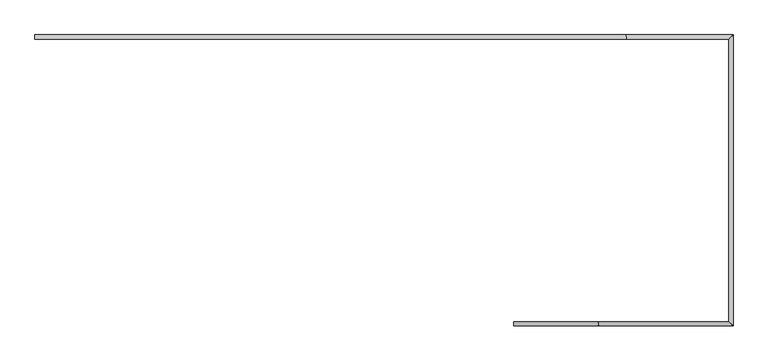
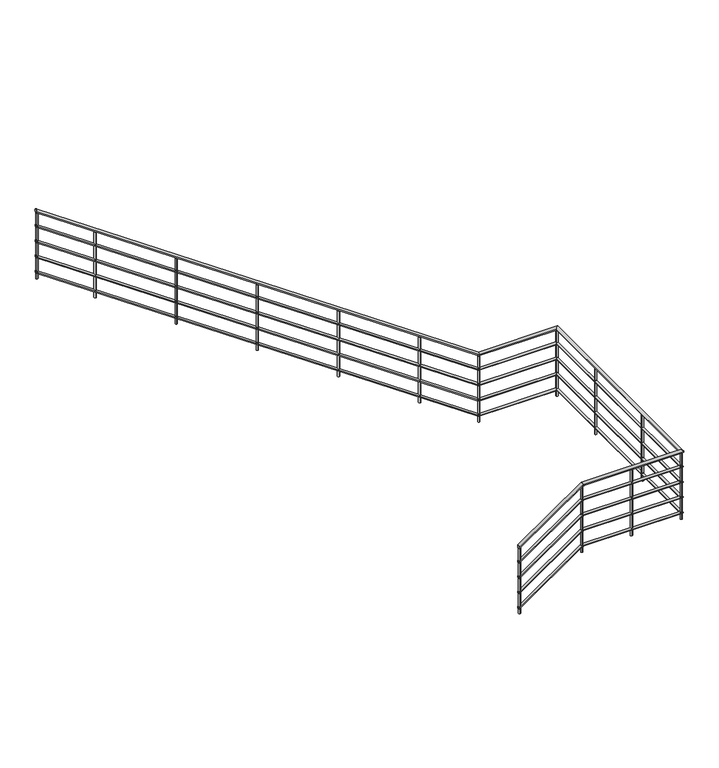
"""IFC4 building model written with IfcOpenShell, lengths in millimetres: railing geometry."""

from ifc_helpers import new_model, si_unit, point, frame, frame_2d, origin, place, context, project, spatial, circle_curve, ellipse_curve, trimmed, segment, composite_curve, outline, extrude, source, transform, mapped, element, save
from ifc_brep_helpers import plane_surface, cylinder_surface, advanced_brep


def railing_1d44057c(model_context):
    return source(origin(), model_context, "Body", "SolidModel", [
        advanced_brep(
        [(-1975.9784025, 7544.6868987, 1155.6747872), (-1975.9784025, 7504.6868987, 1155.6747872), (-1189.7308729, 7544.6868987, 1700.0), (-1189.7308729, 7504.6868987, 1700.0), (9.0215975, 7544.6868987, 1700.0), (49.0215975, 7504.6868987, 1700.0), (9.0215975, 10154.6868987, 1700.0), (49.0215975, 10194.6868987, 1700.0), (-942.2259321, 10154.6868987, 1700.0), (-942.2259321, 10194.6868987, 1700.0), (-6395.9784025, 10154.6868987, 5475.6747872), (-6395.9784025, 10194.6868987, 5475.6747872)],
        [
            (0, 1, ellipse_curve(frame((-1975.9784025, 7524.6868987, 1155.6747872), z_axis=(-1.0, 0.0, 0.0), x_axis=(0.0, 0.0, -1.0)), 24.3252128, 20.0)),
            (1, 0, ellipse_curve(frame((-1975.9784025, 7524.6868987, 1155.6747872), z_axis=(-1.0, 0.0, 0.0), x_axis=(0.0, 0.0, -1.0)), 24.3252128, 20.0)),
            (0, 2),
            (2, 3, ellipse_curve(frame((-1189.7308729, 7524.6868987, 1700.0), z_axis=(-0.9545135388363484, 0.0, -0.2981675773421896), x_axis=(0.2981675773421886, 0.0, -0.9545135388363488)), 20.9530815, 20.0)),
            (3, 1),
            (3, 2, ellipse_curve(frame((-1189.7308729, 7524.6868987, 1700.0), z_axis=(-0.9545135388363484, 0.0, -0.2981675773421896), x_axis=(0.2981675773421886, 0.0, -0.9545135388363488)), 20.9530815, 20.0)),
            (2, 4),
            (4, 5, ellipse_curve(frame((29.0215975, 7524.6868987, 1700.0), z_axis=(-0.7071067811865487, -0.7071067811865462, 0.0), x_axis=(-0.7071067811865464, 0.7071067811865487, 0.0)), 28.2842712, 20.0)),
            (5, 3),
            (5, 4, ellipse_curve(frame((29.0215975, 7524.6868987, 1700.0), z_axis=(-0.7071067811865487, -0.7071067811865462, 0.0), x_axis=(-0.7071067811865464, 0.7071067811865487, 0.0)), 28.2842712, 20.0)),
            (4, 6),
            (6, 7, ellipse_curve(frame((29.0215975, 10174.6868987, 1700.0), z_axis=(0.7071067811865469, -0.707106781186548, 0.0), x_axis=(-0.7071067811865479, -0.7071067811865471, 0.0)), 28.2842712, 20.0)),
            (7, 5),
            (7, 6, ellipse_curve(frame((29.0215975, 10174.6868987, 1700.0), z_axis=(0.7071067811865469, -0.707106781186548, 0.0), x_axis=(-0.7071067811865479, -0.7071067811865471, 0.0)), 28.2842712, 20.0)),
            (6, 8),
            (8, 9, ellipse_curve(frame((-942.2259321, 10174.6868987, 1700.0), z_axis=(0.9545135388363485, 0.0, -0.2981675773421897), x_axis=(0.29816757734218974, 0.0, 0.9545135388363484)), 20.9530815, 20.0)),
            (9, 7),
            (9, 8, ellipse_curve(frame((-942.2259321, 10174.6868987, 1700.0), z_axis=(0.9545135388363485, 0.0, -0.2981675773421897), x_axis=(0.29816757734218974, 0.0, 0.9545135388363484)), 20.9530815, 20.0)),
            (10, 11, ellipse_curve(frame((-6395.9784025, 10174.6868987, 5475.6747872), z_axis=(-1.0, 0.0, 0.0), x_axis=(0.0, 0.0, -1.0)), 24.3252128, 20.0)),
            (11, 10, ellipse_curve(frame((-6395.9784025, 10174.6868987, 5475.6747872), z_axis=(-1.0, 0.0, 0.0), x_axis=(0.0, 0.0, -1.0)), 24.3252128, 20.0)),
            (8, 10),
            (11, 9),
        ],
        [
            plane_surface(frame((-1975.9784025, 7524.6868987, 1180.0), z_axis=(-1.0, 0.0, 0.0), x_axis=(0.0, 1.0, 0.0))),
            cylinder_surface(frame((-1964.5942029, 7524.6868987, 1163.5561562), z_axis=(-0.8221921916437788, 0.0, -0.5692099788303082), x_axis=(0.0, -1.0, 0.0)), 20.0),
            cylinder_surface(frame((-1195.9784025, 7524.6868987, 1700.0), z_axis=(-1.0, 0.0, 0.0), x_axis=(0.0, -1.0, 0.0)), 20.0),
            cylinder_surface(frame((29.0215975, 7524.6868987, 1700.0), z_axis=(0.0, -1.0, 0.0), x_axis=(1.0, 0.0, 0.0)), 20.0),
            cylinder_surface(frame((29.0215975, 10174.6868987, 1700.0), z_axis=(1.0, 0.0, 0.0), x_axis=(0.0, 1.0, 0.0)), 20.0),
            plane_surface(frame((-6395.9784025, 10174.6868987, 5500.0), z_axis=(-1.0, 0.0, 0.0), x_axis=(0.0, -1.0, 0.0))),
            cylinder_surface(frame((-947.3626021, 10174.6868987, 1703.5561562), z_axis=(0.8221921916437787, 0.0, -0.5692099788303082), x_axis=(0.0, 1.0, 0.0)), 20.0),
        ],
        [
            (0, [[1, 2]]),
            (1, [[-1, 3, 4, 5]]),
            (1, [[-2, -5, 6, -3]]),
            (2, [[-4, 7, 8, 9]]),
            (2, [[-6, -9, 10, -7]]),
            (3, [[-8, 11, 12, 13]]),
            (3, [[-10, -13, 14, -11]]),
            (4, [[-12, 15, 16, 17]]),
            (4, [[-14, -17, 18, -15]]),
            (5, [[19, 20]]),
            (6, [[-16, 21, -20, 22]]),
            (6, [[-18, -22, -19, -21]]),
        ],
    ),
        advanced_brep(
        [(-1975.9784025, 7539.6868987, 961.7560904), (-1975.9784025, 7509.6868987, 961.7560904), (-1191.2927553, 7539.6868987, 1505.0), (-1191.2927553, 7509.6868987, 1505.0), (14.0215975, 7539.6868987, 1505.0), (44.0215975, 7509.6868987, 1505.0), (14.0215975, 10159.6868987, 1505.0), (44.0215975, 10189.6868987, 1505.0), (-940.6640497, 10159.6868987, 1505.0), (-940.6640497, 10189.6868987, 1505.0), (-6395.9784025, 10159.6868987, 5281.7560904), (-6395.9784025, 10189.6868987, 5281.7560904)],
        [
            (0, 1, ellipse_curve(frame((-1975.9784025, 7524.6868987, 961.7560904), z_axis=(-1.0, 0.0, 0.0), x_axis=(0.0, 0.0, -1.0)), 18.2439096, 15.0)),
            (1, 0, ellipse_curve(frame((-1975.9784025, 7524.6868987, 961.7560904), z_axis=(-1.0, 0.0, 0.0), x_axis=(0.0, 0.0, -1.0)), 18.2439096, 15.0)),
            (0, 2),
            (2, 3, ellipse_curve(frame((-1191.2927553, 7524.6868987, 1505.0), z_axis=(-0.9545135388363484, 0.0, -0.2981675773421896), x_axis=(0.2981675773421886, 0.0, -0.9545135388363488)), 15.7148111, 15.0)),
            (3, 1),
            (3, 2, ellipse_curve(frame((-1191.2927553, 7524.6868987, 1505.0), z_axis=(-0.9545135388363484, 0.0, -0.2981675773421896), x_axis=(0.2981675773421886, 0.0, -0.9545135388363488)), 15.7148111, 15.0)),
            (2, 4),
            (4, 5, ellipse_curve(frame((29.0215975, 7524.6868987, 1505.0), z_axis=(-0.7071067811865487, -0.7071067811865462, 0.0), x_axis=(-0.7071067811865464, 0.7071067811865487, 0.0)), 21.2132034, 15.0)),
            (5, 3),
            (5, 4, ellipse_curve(frame((29.0215975, 7524.6868987, 1505.0), z_axis=(-0.7071067811865487, -0.7071067811865462, 0.0), x_axis=(-0.7071067811865464, 0.7071067811865487, 0.0)), 21.2132034, 15.0)),
            (4, 6),
            (6, 7, ellipse_curve(frame((29.0215975, 10174.6868987, 1505.0), z_axis=(0.7071067811865469, -0.707106781186548, 0.0), x_axis=(-0.7071067811865479, -0.7071067811865471, 0.0)), 21.2132034, 15.0)),
            (7, 5),
            (7, 6, ellipse_curve(frame((29.0215975, 10174.6868987, 1505.0), z_axis=(0.7071067811865469, -0.707106781186548, 0.0), x_axis=(-0.7071067811865479, -0.7071067811865471, 0.0)), 21.2132034, 15.0)),
            (6, 8),
            (8, 9, ellipse_curve(frame((-940.6640497, 10174.6868987, 1505.0), z_axis=(0.9545135388363485, 0.0, -0.2981675773421897), x_axis=(0.29816757734218974, 0.0, 0.9545135388363484)), 15.7148111, 15.0)),
            (9, 7),
            (9, 8, ellipse_curve(frame((-940.6640497, 10174.6868987, 1505.0), z_axis=(0.9545135388363485, 0.0, -0.2981675773421897), x_axis=(0.29816757734218974, 0.0, 0.9545135388363484)), 15.7148111, 15.0)),
            (10, 11, ellipse_curve(frame((-6395.9784025, 10174.6868987, 5281.7560904), z_axis=(-1.0, 0.0, 0.0), x_axis=(0.0, 0.0, -1.0)), 18.2439096, 15.0)),
            (11, 10, ellipse_curve(frame((-6395.9784025, 10174.6868987, 5281.7560904), z_axis=(-1.0, 0.0, 0.0), x_axis=(0.0, 0.0, -1.0)), 18.2439096, 15.0)),
            (8, 10),
            (11, 9),
        ],
        [
            plane_surface(frame((-1975.9784025, 7524.6868987, 980.0), z_axis=(-1.0, 0.0, 0.0), x_axis=(0.0, 1.0, 0.0))),
            cylinder_surface(frame((-1967.4402528, 7524.6868987, 967.6671171), z_axis=(-0.8221921916437788, 0.0, -0.5692099788303082), x_axis=(0.0, -1.0, 0.0)), 15.0),
            cylinder_surface(frame((-1195.9784025, 7524.6868987, 1505.0), z_axis=(-1.0, 0.0, 0.0), x_axis=(0.0, -1.0, 0.0)), 15.0),
            cylinder_surface(frame((29.0215975, 7524.6868987, 1505.0), z_axis=(0.0, -1.0, 0.0), x_axis=(1.0, 0.0, 0.0)), 15.0),
            cylinder_surface(frame((29.0215975, 10174.6868987, 1505.0), z_axis=(1.0, 0.0, 0.0), x_axis=(0.0, 1.0, 0.0)), 15.0),
            plane_surface(frame((-6395.9784025, 10174.6868987, 5300.0), z_axis=(-1.0, 0.0, 0.0), x_axis=(0.0, -1.0, 0.0))),
            cylinder_surface(frame((-944.5165522, 10174.6868987, 1507.6671171), z_axis=(0.8221921916437787, 0.0, -0.5692099788303082), x_axis=(0.0, 1.0, 0.0)), 15.0),
        ],
        [
            (0, [[1, 2]]),
            (1, [[-1, 3, 4, 5]]),
            (1, [[-2, -5, 6, -3]]),
            (2, [[-4, 7, 8, 9]]),
            (2, [[-6, -9, 10, -7]]),
            (3, [[-8, 11, 12, 13]]),
            (3, [[-10, -13, 14, -11]]),
            (4, [[-12, 15, 16, 17]]),
            (4, [[-14, -17, 18, -15]]),
            (5, [[19, 20]]),
            (6, [[-16, 21, -20, 22]]),
            (6, [[-18, -22, -19, -21]]),
        ],
    ),
        advanced_brep(
        [(-1975.9784025, 7539.6868987, 761.7560904), (-1975.9784025, 7509.6868987, 761.7560904), (-1191.2927553, 7539.6868987, 1305.0), (-1191.2927553, 7509.6868987, 1305.0), (14.0215975, 7539.6868987, 1305.0), (44.0215975, 7509.6868987, 1305.0), (14.0215975, 10159.6868987, 1305.0), (44.0215975, 10189.6868987, 1305.0), (-940.6640497, 10159.6868987, 1305.0), (-940.6640497, 10189.6868987, 1305.0), (-6395.9784025, 10159.6868987, 5081.7560904), (-6395.9784025, 10189.6868987, 5081.7560904)],
        [
            (0, 1, ellipse_curve(frame((-1975.9784025, 7524.6868987, 761.7560904), z_axis=(-1.0, 0.0, 0.0), x_axis=(0.0, 0.0, -1.0)), 18.2439096, 15.0)),
            (1, 0, ellipse_curve(frame((-1975.9784025, 7524.6868987, 761.7560904), z_axis=(-1.0, 0.0, 0.0), x_axis=(0.0, 0.0, -1.0)), 18.2439096, 15.0)),
            (0, 2),
            (2, 3, ellipse_curve(frame((-1191.2927553, 7524.6868987, 1305.0), z_axis=(-0.9545135388363484, 0.0, -0.2981675773421896), x_axis=(0.2981675773421886, 0.0, -0.9545135388363488)), 15.7148111, 15.0)),
            (3, 1),
            (3, 2, ellipse_curve(frame((-1191.2927553, 7524.6868987, 1305.0), z_axis=(-0.9545135388363484, 0.0, -0.2981675773421896), x_axis=(0.2981675773421886, 0.0, -0.9545135388363488)), 15.7148111, 15.0)),
            (2, 4),
            (4, 5, ellipse_curve(frame((29.0215975, 7524.6868987, 1305.0), z_axis=(-0.7071067811865487, -0.7071067811865462, 0.0), x_axis=(-0.7071067811865464, 0.7071067811865487, 0.0)), 21.2132034, 15.0)),
            (5, 3),
            (5, 4, ellipse_curve(frame((29.0215975, 7524.6868987, 1305.0), z_axis=(-0.7071067811865487, -0.7071067811865462, 0.0), x_axis=(-0.7071067811865464, 0.7071067811865487, 0.0)), 21.2132034, 15.0)),
            (4, 6),
            (6, 7, ellipse_curve(frame((29.0215975, 10174.6868987, 1305.0), z_axis=(0.7071067811865469, -0.707106781186548, 0.0), x_axis=(-0.7071067811865479, -0.7071067811865471, 0.0)), 21.2132034, 15.0)),
            (7, 5),
            (7, 6, ellipse_curve(frame((29.0215975, 10174.6868987, 1305.0), z_axis=(0.7071067811865469, -0.707106781186548, 0.0), x_axis=(-0.7071067811865479, -0.7071067811865471, 0.0)), 21.2132034, 15.0)),
            (6, 8),
            (8, 9, ellipse_curve(frame((-940.6640497, 10174.6868987, 1305.0), z_axis=(0.9545135388363485, 0.0, -0.2981675773421897), x_axis=(0.29816757734218974, 0.0, 0.9545135388363484)), 15.7148111, 15.0)),
            (9, 7),
            (9, 8, ellipse_curve(frame((-940.6640497, 10174.6868987, 1305.0), z_axis=(0.9545135388363485, 0.0, -0.2981675773421897), x_axis=(0.29816757734218974, 0.0, 0.9545135388363484)), 15.7148111, 15.0)),
            (10, 11, ellipse_curve(frame((-6395.9784025, 10174.6868987, 5081.7560904), z_axis=(-1.0, 0.0, 0.0), x_axis=(0.0, 0.0, -1.0)), 18.2439096, 15.0)),
            (11, 10, ellipse_curve(frame((-6395.9784025, 10174.6868987, 5081.7560904), z_axis=(-1.0, 0.0, 0.0), x_axis=(0.0, 0.0, -1.0)), 18.2439096, 15.0)),
            (8, 10),
            (11, 9),
        ],
        [
            plane_surface(frame((-1975.9784025, 7524.6868987, 780.0), z_axis=(-1.0, 0.0, 0.0), x_axis=(0.0, 1.0, 0.0))),
            cylinder_surface(frame((-1967.4402528, 7524.6868987, 767.6671171), z_axis=(-0.8221921916437788, 0.0, -0.5692099788303082), x_axis=(0.0, -1.0, 0.0)), 15.0),
            cylinder_surface(frame((-1195.9784025, 7524.6868987, 1305.0), z_axis=(-1.0, 0.0, 0.0), x_axis=(0.0, -1.0, 0.0)), 15.0),
            cylinder_surface(frame((29.0215975, 7524.6868987, 1305.0), z_axis=(0.0, -1.0, 0.0), x_axis=(1.0, 0.0, 0.0)), 15.0),
            cylinder_surface(frame((29.0215975, 10174.6868987, 1305.0), z_axis=(1.0, 0.0, 0.0), x_axis=(0.0, 1.0, 0.0)), 15.0),
            plane_surface(frame((-6395.9784025, 10174.6868987, 5100.0), z_axis=(-1.0, 0.0, 0.0), x_axis=(0.0, -1.0, 0.0))),
            cylinder_surface(frame((-944.5165522, 10174.6868987, 1307.6671171), z_axis=(0.8221921916437787, 0.0, -0.5692099788303082), x_axis=(0.0, 1.0, 0.0)), 15.0),
        ],
        [
            (0, [[1, 2]]),
            (1, [[-1, 3, 4, 5]]),
            (1, [[-2, -5, 6, -3]]),
            (2, [[-4, 7, 8, 9]]),
            (2, [[-6, -9, 10, -7]]),
            (3, [[-8, 11, 12, 13]]),
            (3, [[-10, -13, 14, -11]]),
            (4, [[-12, 15, 16, 17]]),
            (4, [[-14, -17, 18, -15]]),
            (5, [[19, 20]]),
            (6, [[-16, 21, -20, 22]]),
            (6, [[-18, -22, -19, -21]]),
        ],
    ),
        advanced_brep(
        [(-1975.9784025, 7539.6868987, 561.7560904), (-1975.9784025, 7509.6868987, 561.7560904), (-1191.2927553, 7539.6868987, 1105.0), (-1191.2927553, 7509.6868987, 1105.0), (14.0215975, 7539.6868987, 1105.0), (44.0215975, 7509.6868987, 1105.0), (14.0215975, 10159.6868987, 1105.0), (44.0215975, 10189.6868987, 1105.0), (-940.6640497, 10159.6868987, 1105.0), (-940.6640497, 10189.6868987, 1105.0), (-6395.9784025, 10159.6868987, 4881.7560904), (-6395.9784025, 10189.6868987, 4881.7560904)],
        [
            (0, 1, ellipse_curve(frame((-1975.9784025, 7524.6868987, 561.7560904), z_axis=(-1.0, 0.0, 0.0), x_axis=(0.0, 0.0, -1.0)), 18.2439096, 15.0)),
            (1, 0, ellipse_curve(frame((-1975.9784025, 7524.6868987, 561.7560904), z_axis=(-1.0, 0.0, 0.0), x_axis=(0.0, 0.0, -1.0)), 18.2439096, 15.0)),
            (0, 2),
            (2, 3, ellipse_curve(frame((-1191.2927553, 7524.6868987, 1105.0), z_axis=(-0.9545135388363484, 0.0, -0.2981675773421896), x_axis=(0.2981675773421886, 0.0, -0.9545135388363488)), 15.7148111, 15.0)),
            (3, 1),
            (3, 2, ellipse_curve(frame((-1191.2927553, 7524.6868987, 1105.0), z_axis=(-0.9545135388363484, 0.0, -0.2981675773421896), x_axis=(0.2981675773421886, 0.0, -0.9545135388363488)), 15.7148111, 15.0)),
            (2, 4),
            (4, 5, ellipse_curve(frame((29.0215975, 7524.6868987, 1105.0), z_axis=(-0.7071067811865487, -0.7071067811865462, 0.0), x_axis=(-0.7071067811865464, 0.7071067811865487, 0.0)), 21.2132034, 15.0)),
            (5, 3),
            (5, 4, ellipse_curve(frame((29.0215975, 7524.6868987, 1105.0), z_axis=(-0.7071067811865487, -0.7071067811865462, 0.0), x_axis=(-0.7071067811865464, 0.7071067811865487, 0.0)), 21.2132034, 15.0)),
            (4, 6),
            (6, 7, ellipse_curve(frame((29.0215975, 10174.6868987, 1105.0), z_axis=(0.7071067811865469, -0.707106781186548, 0.0), x_axis=(-0.7071067811865479, -0.7071067811865471, 0.0)), 21.2132034, 15.0)),
            (7, 5),
            (7, 6, ellipse_curve(frame((29.0215975, 10174.6868987, 1105.0), z_axis=(0.7071067811865469, -0.707106781186548, 0.0), x_axis=(-0.7071067811865479, -0.7071067811865471, 0.0)), 21.2132034, 15.0)),
            (6, 8),
            (8, 9, ellipse_curve(frame((-940.6640497, 10174.6868987, 1105.0), z_axis=(0.9545135388363485, 0.0, -0.2981675773421897), x_axis=(0.29816757734218974, 0.0, 0.9545135388363484)), 15.7148111, 15.0)),
            (9, 7),
            (9, 8, ellipse_curve(frame((-940.6640497, 10174.6868987, 1105.0), z_axis=(0.9545135388363485, 0.0, -0.2981675773421897), x_axis=(0.29816757734218974, 0.0, 0.9545135388363484)), 15.7148111, 15.0)),
            (10, 11, ellipse_curve(frame((-6395.9784025, 10174.6868987, 4881.7560904), z_axis=(-1.0, 0.0, 0.0), x_axis=(0.0, 0.0, -1.0)), 18.2439096, 15.0)),
            (11, 10, ellipse_curve(frame((-6395.9784025, 10174.6868987, 4881.7560904), z_axis=(-1.0, 0.0, 0.0), x_axis=(0.0, 0.0, -1.0)), 18.2439096, 15.0)),
            (8, 10),
            (11, 9),
        ],
        [
            plane_surface(frame((-1975.9784025, 7524.6868987, 580.0), z_axis=(-1.0, 0.0, 0.0), x_axis=(0.0, 1.0, 0.0))),
            cylinder_surface(frame((-1967.4402528, 7524.6868987, 567.6671171), z_axis=(-0.8221921916437788, 0.0, -0.5692099788303082), x_axis=(0.0, -1.0, 0.0)), 15.0),
            cylinder_surface(frame((-1195.9784025, 7524.6868987, 1105.0), z_axis=(-1.0, 0.0, 0.0), x_axis=(0.0, -1.0, 0.0)), 15.0),
            cylinder_surface(frame((29.0215975, 7524.6868987, 1105.0), z_axis=(0.0, -1.0, 0.0), x_axis=(1.0, 0.0, 0.0)), 15.0),
            cylinder_surface(frame((29.0215975, 10174.6868987, 1105.0), z_axis=(1.0, 0.0, 0.0), x_axis=(0.0, 1.0, 0.0)), 15.0),
            plane_surface(frame((-6395.9784025, 10174.6868987, 4900.0), z_axis=(-1.0, 0.0, 0.0), x_axis=(0.0, -1.0, 0.0))),
            cylinder_surface(frame((-944.5165522, 10174.6868987, 1107.6671171), z_axis=(0.8221921916437787, 0.0, -0.5692099788303082), x_axis=(0.0, 1.0, 0.0)), 15.0),
        ],
        [
            (0, [[1, 2]]),
            (1, [[-1, 3, 4, 5]]),
            (1, [[-2, -5, 6, -3]]),
            (2, [[-4, 7, 8, 9]]),
            (2, [[-6, -9, 10, -7]]),
            (3, [[-8, 11, 12, 13]]),
            (3, [[-10, -13, 14, -11]]),
            (4, [[-12, 15, 16, 17]]),
            (4, [[-14, -17, 18, -15]]),
            (5, [[19, 20]]),
            (6, [[-16, 21, -20, 22]]),
            (6, [[-18, -22, -19, -21]]),
        ],
    ),
        advanced_brep(
        [(-1975.9784025, 7539.6868987, 361.7560904), (-1975.9784025, 7509.6868987, 361.7560904), (-1191.2927553, 7539.6868987, 905.0), (-1191.2927553, 7509.6868987, 905.0), (14.0215975, 7539.6868987, 905.0), (44.0215975, 7509.6868987, 905.0), (14.0215975, 10159.6868987, 905.0), (44.0215975, 10189.6868987, 905.0), (-940.6640497, 10159.6868987, 905.0), (-940.6640497, 10189.6868987, 905.0), (-6395.9784025, 10159.6868987, 4681.7560904), (-6395.9784025, 10189.6868987, 4681.7560904)],
        [
            (0, 1, ellipse_curve(frame((-1975.9784025, 7524.6868987, 361.7560904), z_axis=(-1.0, 0.0, 0.0), x_axis=(0.0, 0.0, -1.0)), 18.2439096, 15.0)),
            (1, 0, ellipse_curve(frame((-1975.9784025, 7524.6868987, 361.7560904), z_axis=(-1.0, 0.0, 0.0), x_axis=(0.0, 0.0, -1.0)), 18.2439096, 15.0)),
            (0, 2),
            (2, 3, ellipse_curve(frame((-1191.2927553, 7524.6868987, 905.0), z_axis=(-0.9545135388363484, 0.0, -0.2981675773421896), x_axis=(0.2981675773421886, 0.0, -0.9545135388363488)), 15.7148111, 15.0)),
            (3, 1),
            (3, 2, ellipse_curve(frame((-1191.2927553, 7524.6868987, 905.0), z_axis=(-0.9545135388363484, 0.0, -0.2981675773421896), x_axis=(0.2981675773421886, 0.0, -0.9545135388363488)), 15.7148111, 15.0)),
            (2, 4),
            (4, 5, ellipse_curve(frame((29.0215975, 7524.6868987, 905.0), z_axis=(-0.7071067811865487, -0.7071067811865462, 0.0), x_axis=(-0.7071067811865464, 0.7071067811865487, 0.0)), 21.2132034, 15.0)),
            (5, 3),
            (5, 4, ellipse_curve(frame((29.0215975, 7524.6868987, 905.0), z_axis=(-0.7071067811865487, -0.7071067811865462, 0.0), x_axis=(-0.7071067811865464, 0.7071067811865487, 0.0)), 21.2132034, 15.0)),
            (4, 6),
            (6, 7, ellipse_curve(frame((29.0215975, 10174.6868987, 905.0), z_axis=(0.7071067811865469, -0.707106781186548, 0.0), x_axis=(-0.7071067811865479, -0.7071067811865471, 0.0)), 21.2132034, 15.0)),
            (7, 5),
            (7, 6, ellipse_curve(frame((29.0215975, 10174.6868987, 905.0), z_axis=(0.7071067811865469, -0.707106781186548, 0.0), x_axis=(-0.7071067811865479, -0.7071067811865471, 0.0)), 21.2132034, 15.0)),
            (6, 8),
            (8, 9, ellipse_curve(frame((-940.6640497, 10174.6868987, 905.0), z_axis=(0.9545135388363485, 0.0, -0.2981675773421897), x_axis=(0.29816757734218974, 0.0, 0.9545135388363484)), 15.7148111, 15.0)),
            (9, 7),
            (9, 8, ellipse_curve(frame((-940.6640497, 10174.6868987, 905.0), z_axis=(0.9545135388363485, 0.0, -0.2981675773421897), x_axis=(0.29816757734218974, 0.0, 0.9545135388363484)), 15.7148111, 15.0)),
            (10, 11, ellipse_curve(frame((-6395.9784025, 10174.6868987, 4681.7560904), z_axis=(-1.0, 0.0, 0.0), x_axis=(0.0, 0.0, -1.0)), 18.2439096, 15.0)),
            (11, 10, ellipse_curve(frame((-6395.9784025, 10174.6868987, 4681.7560904), z_axis=(-1.0, 0.0, 0.0), x_axis=(0.0, 0.0, -1.0)), 18.2439096, 15.0)),
            (8, 10),
            (11, 9),
        ],
        [
            plane_surface(frame((-1975.9784025, 7524.6868987, 380.0), z_axis=(-1.0, 0.0, 0.0), x_axis=(0.0, 1.0, 0.0))),
            cylinder_surface(frame((-1967.4402528, 7524.6868987, 367.6671171), z_axis=(-0.8221921916437788, 0.0, -0.5692099788303082), x_axis=(0.0, -1.0, 0.0)), 15.0),
            cylinder_surface(frame((-1195.9784025, 7524.6868987, 905.0), z_axis=(-1.0, 0.0, 0.0), x_axis=(0.0, -1.0, 0.0)), 15.0),
            cylinder_surface(frame((29.0215975, 7524.6868987, 905.0), z_axis=(0.0, -1.0, 0.0), x_axis=(1.0, 0.0, 0.0)), 15.0),
            cylinder_surface(frame((29.0215975, 10174.6868987, 905.0), z_axis=(1.0, 0.0, 0.0), x_axis=(0.0, 1.0, 0.0)), 15.0),
            plane_surface(frame((-6395.9784025, 10174.6868987, 4700.0), z_axis=(-1.0, 0.0, 0.0), x_axis=(0.0, -1.0, 0.0))),
            cylinder_surface(frame((-944.5165522, 10174.6868987, 907.6671171), z_axis=(0.8221921916437787, 0.0, -0.5692099788303082), x_axis=(0.0, 1.0, 0.0)), 15.0),
        ],
        [
            (0, [[1, 2]]),
            (1, [[-1, 3, 4, 5]]),
            (1, [[-2, -5, 6, -3]]),
            (2, [[-4, 7, 8, 9]]),
            (2, [[-6, -9, 10, -7]]),
            (3, [[-8, 11, 12, 13]]),
            (3, [[-10, -13, 14, -11]]),
            (4, [[-12, 15, 16, 17]]),
            (4, [[-14, -17, 18, -15]]),
            (5, [[19, 20]]),
            (6, [[-16, 21, -20, 22]]),
            (6, [[-18, -22, -19, -21]]),
        ],
    ),
        advanced_brep(
        [(-5665.9784025, 10187.1868987, 4945.9649591), (-5665.9784025, 10187.1868987, 4094.6153846), (-5665.9784025, 10162.1868987, 4094.6153846), (-5665.9784025, 10162.1868987, 4945.9649591)],
        [
            (0, 1),
            (1, 2, circle_curve(frame((-5665.9784025, 10174.6868987, 4094.6153846), z_axis=(0.0, 0.0, 1.0), x_axis=(0.0, -1.0, 0.0)), 12.5)),
            (2, 3),
            (3, 0, ellipse_curve(frame((-5665.9784025, 10174.6868987, 4945.9649591), z_axis=(-0.569209978830308, 0.0, -0.8221921916437789), x_axis=(-0.8221921916437789, 0.0, 0.5692099788303079)), 15.203258, 12.5)),
            (0, 3, ellipse_curve(frame((-5665.9784025, 10174.6868987, 4945.9649591), z_axis=(-0.569209978830308, 0.0, -0.8221921916437789), x_axis=(-0.8221921916437789, 0.0, 0.5692099788303079)), 15.203258, 12.5)),
            (2, 1, circle_curve(frame((-5665.9784025, 10174.6868987, 4094.6153846), z_axis=(0.0, 0.0, 1.0), x_axis=(0.0, -1.0, 0.0)), 12.5)),
        ],
        [
            cylinder_surface(frame((-5665.9784025, 10174.6868987, 3994.6153846), z_axis=(0.0, 0.0, 1.0), x_axis=(0.0, -1.0, 0.0)), 12.5),
            plane_surface(frame((-5690.9784025, 10149.6868987, 4963.2726514), z_axis=(0.569209978830308, 0.0, 0.8221921916437789), x_axis=(0.0, 1.0, 0.0))),
            plane_surface(frame((-5640.9784025, 10149.6868987, 4094.6153846), z_axis=(0.0, 0.0, -1.0), x_axis=(0.0, 1.0, 0.0))),
        ],
        [
            (0, [[1, 2, 3, 4]]),
            (0, [[-1, 5, -3, 6]]),
            (1, [[-4, -5]]),
            (2, [[-2, -6]]),
        ],
    ),
        advanced_brep(
        [(-4665.9784025, 10187.1868987, 4253.6572668), (-4665.9784025, 10187.1868987, 3402.3076923), (-4665.9784025, 10162.1868987, 3402.3076923), (-4665.9784025, 10162.1868987, 4253.6572668)],
        [
            (0, 1),
            (1, 2, circle_curve(frame((-4665.9784025, 10174.6868987, 3402.3076923), z_axis=(0.0, 0.0, 1.0), x_axis=(0.0, -1.0, 0.0)), 12.5)),
            (2, 3),
            (3, 0, ellipse_curve(frame((-4665.9784025, 10174.6868987, 4253.6572668), z_axis=(-0.569209978830308, 0.0, -0.8221921916437789), x_axis=(-0.8221921916437789, 0.0, 0.5692099788303079)), 15.203258, 12.5)),
            (0, 3, ellipse_curve(frame((-4665.9784025, 10174.6868987, 4253.6572668), z_axis=(-0.569209978830308, 0.0, -0.8221921916437789), x_axis=(-0.8221921916437789, 0.0, 0.5692099788303079)), 15.203258, 12.5)),
            (2, 1, circle_curve(frame((-4665.9784025, 10174.6868987, 3402.3076923), z_axis=(0.0, 0.0, 1.0), x_axis=(0.0, -1.0, 0.0)), 12.5)),
        ],
        [
            cylinder_surface(frame((-4665.9784025, 10174.6868987, 3302.3076923), z_axis=(0.0, 0.0, 1.0), x_axis=(0.0, -1.0, 0.0)), 12.5),
            plane_surface(frame((-4690.9784025, 10149.6868987, 4270.9649591), z_axis=(0.569209978830308, 0.0, 0.8221921916437789), x_axis=(0.0, 1.0, 0.0))),
            plane_surface(frame((-4640.9784025, 10149.6868987, 3402.3076923), z_axis=(0.0, 0.0, -1.0), x_axis=(0.0, 1.0, 0.0))),
        ],
        [
            (0, [[1, 2, 3, 4]]),
            (0, [[-1, 5, -3, 6]]),
            (1, [[-4, -5]]),
            (2, [[-2, -6]]),
        ],
    ),
        advanced_brep(
        [(-3665.9784025, 10187.1868987, 3561.3495745), (-3665.9784025, 10187.1868987, 2710.0), (-3665.9784025, 10162.1868987, 2710.0), (-3665.9784025, 10162.1868987, 3561.3495745)],
        [
            (0, 1),
            (1, 2, circle_curve(frame((-3665.9784025, 10174.6868987, 2710.0), z_axis=(0.0, 0.0, 1.0), x_axis=(0.0, -1.0, 0.0)), 12.5)),
            (2, 3),
            (3, 0, ellipse_curve(frame((-3665.9784025, 10174.6868987, 3561.3495745), z_axis=(-0.569209978830308, 0.0, -0.8221921916437789), x_axis=(-0.8221921916437789, 0.0, 0.5692099788303079)), 15.203258, 12.5)),
            (0, 3, ellipse_curve(frame((-3665.9784025, 10174.6868987, 3561.3495745), z_axis=(-0.569209978830308, 0.0, -0.8221921916437789), x_axis=(-0.8221921916437789, 0.0, 0.5692099788303079)), 15.203258, 12.5)),
            (2, 1, circle_curve(frame((-3665.9784025, 10174.6868987, 2710.0), z_axis=(0.0, 0.0, 1.0), x_axis=(0.0, -1.0, 0.0)), 12.5)),
        ],
        [
            cylinder_surface(frame((-3665.9784025, 10174.6868987, 2610.0), z_axis=(0.0, 0.0, 1.0), x_axis=(0.0, -1.0, 0.0)), 12.5),
            plane_surface(frame((-3690.9784025, 10149.6868987, 3578.6572668), z_axis=(0.569209978830308, 0.0, 0.8221921916437789), x_axis=(0.0, 1.0, 0.0))),
            plane_surface(frame((-3640.9784025, 10149.6868987, 2710.0), z_axis=(0.0, 0.0, -1.0), x_axis=(0.0, 1.0, 0.0))),
        ],
        [
            (0, [[1, 2, 3, 4]]),
            (0, [[-1, 5, -3, 6]]),
            (1, [[-4, -5]]),
            (2, [[-2, -6]]),
        ],
    ),
        advanced_brep(
        [(-2665.9784025, 10187.1868987, 2869.0418822), (-2665.9784025, 10187.1868987, 2017.6923077), (-2665.9784025, 10162.1868987, 2017.6923077), (-2665.9784025, 10162.1868987, 2869.0418822)],
        [
            (0, 1),
            (1, 2, circle_curve(frame((-2665.9784025, 10174.6868987, 2017.6923077), z_axis=(0.0, 0.0, 1.0), x_axis=(0.0, -1.0, 0.0)), 12.5)),
            (2, 3),
            (3, 0, ellipse_curve(frame((-2665.9784025, 10174.6868987, 2869.0418822), z_axis=(-0.569209978830308, 0.0, -0.8221921916437789), x_axis=(-0.8221921916437789, 0.0, 0.5692099788303079)), 15.203258, 12.5)),
            (0, 3, ellipse_curve(frame((-2665.9784025, 10174.6868987, 2869.0418822), z_axis=(-0.569209978830308, 0.0, -0.8221921916437789), x_axis=(-0.8221921916437789, 0.0, 0.5692099788303079)), 15.203258, 12.5)),
            (2, 1, circle_curve(frame((-2665.9784025, 10174.6868987, 2017.6923077), z_axis=(0.0, 0.0, 1.0), x_axis=(0.0, -1.0, 0.0)), 12.5)),
        ],
        [
            cylinder_surface(frame((-2665.9784025, 10174.6868987, 1917.6923077), z_axis=(0.0, 0.0, 1.0), x_axis=(0.0, -1.0, 0.0)), 12.5),
            plane_surface(frame((-2690.9784025, 10149.6868987, 2886.3495745), z_axis=(0.569209978830308, 0.0, 0.8221921916437789), x_axis=(0.0, 1.0, 0.0))),
            plane_surface(frame((-2640.9784025, 10149.6868987, 2017.6923077), z_axis=(0.0, 0.0, -1.0), x_axis=(0.0, 1.0, 0.0))),
        ],
        [
            (0, [[1, 2, 3, 4]]),
            (0, [[-1, 5, -3, 6]]),
            (1, [[-4, -5]]),
            (2, [[-2, -6]]),
        ],
    ),
        advanced_brep(
        [(-1665.9784025, 10187.1868987, 2176.7341898), (-1665.9784025, 10187.1868987, 1325.3846154), (-1665.9784025, 10162.1868987, 1325.3846154), (-1665.9784025, 10162.1868987, 2176.7341898)],
        [
            (0, 1),
            (1, 2, circle_curve(frame((-1665.9784025, 10174.6868987, 1325.3846154), z_axis=(0.0, 0.0, 1.0), x_axis=(0.0, -1.0, 0.0)), 12.5)),
            (2, 3),
            (3, 0, ellipse_curve(frame((-1665.9784025, 10174.6868987, 2176.7341898), z_axis=(-0.569209978830308, 0.0, -0.8221921916437789), x_axis=(-0.8221921916437789, 0.0, 0.5692099788303079)), 15.203258, 12.5)),
            (0, 3, ellipse_curve(frame((-1665.9784025, 10174.6868987, 2176.7341898), z_axis=(-0.569209978830308, 0.0, -0.8221921916437789), x_axis=(-0.8221921916437789, 0.0, 0.5692099788303079)), 15.203258, 12.5)),
            (2, 1, circle_curve(frame((-1665.9784025, 10174.6868987, 1325.3846154), z_axis=(0.0, 0.0, 1.0), x_axis=(0.0, -1.0, 0.0)), 12.5)),
        ],
        [
            cylinder_surface(frame((-1665.9784025, 10174.6868987, 1225.3846154), z_axis=(0.0, 0.0, 1.0), x_axis=(0.0, -1.0, 0.0)), 12.5),
            plane_surface(frame((-1690.9784025, 10149.6868987, 2194.0418822), z_axis=(0.569209978830308, 0.0, 0.8221921916437789), x_axis=(0.0, 1.0, 0.0))),
            plane_surface(frame((-1640.9784025, 10149.6868987, 1325.3846154), z_axis=(0.0, 0.0, -1.0), x_axis=(0.0, 1.0, 0.0))),
        ],
        [
            (0, [[1, 2, 3, 4]]),
            (0, [[-1, 5, -3, 6]]),
            (1, [[-4, -5]]),
            (2, [[-2, -6]]),
        ],
    ),
        extrude(outline(composite_curve([segment(trimmed(circle_curve(frame_2d((29.0215975, 9349.6868987)), 12.5), [point((16.5215975, 9349.6868987))], [point((41.5215975, 9349.6868987))], False, "CARTESIAN"), True, "CONTINUOUS"), segment(trimmed(circle_curve(frame_2d((29.0215975, 9349.6868987)), 12.5), [point((41.5215975, 9349.6868987))], [point((16.5215975, 9349.6868987))], False, "CARTESIAN"), True, "CONTINUOUS")], self_intersect=False)), frame((0.0, 0.0, 820.0), z_axis=(0.0, 0.0, 1.0), x_axis=(1.0, 0.0, 0.0)), (0.0, 0.0, 1.0), 860.0),
        extrude(outline(composite_curve([segment(trimmed(circle_curve(frame_2d((29.0215975, 8349.6868987)), 12.5), [point((16.5215975, 8349.6868987))], [point((41.5215975, 8349.6868987))], False, "CARTESIAN"), True, "CONTINUOUS"), segment(trimmed(circle_curve(frame_2d((29.0215975, 8349.6868987)), 12.5), [point((41.5215975, 8349.6868987))], [point((16.5215975, 8349.6868987))], False, "CARTESIAN"), True, "CONTINUOUS")], self_intersect=False)), frame((0.0, 0.0, 820.0), z_axis=(0.0, 0.0, 1.0), x_axis=(1.0, 0.0, 0.0)), (0.0, 0.0, 1.0), 860.0),
        extrude(outline(composite_curve([segment(trimmed(circle_curve(frame_2d((-583.4784025, 7524.6868987)), 12.5), [point((-583.4784025, 7537.1868987))], [point((-583.4784025, 7512.1868987))], False, "CARTESIAN"), True, "CONTINUOUS"), segment(trimmed(circle_curve(frame_2d((-583.4784025, 7524.6868987)), 12.5), [point((-583.4784025, 7512.1868987))], [point((-583.4784025, 7537.1868987))], False, "CARTESIAN"), True, "CONTINUOUS")], self_intersect=False)), frame((0.0, 0.0, 820.0), z_axis=(0.0, 0.0, 1.0), x_axis=(1.0, 0.0, 0.0)), (0.0, 0.0, 1.0), 860.0),
        extrude(outline(composite_curve([segment(trimmed(circle_curve(frame_2d((-935.9784025, 10174.6868987)), 12.5), [point((-935.9784025, 10162.1868987))], [point((-935.9784025, 10187.1868987))], False, "CARTESIAN"), True, "CONTINUOUS"), segment(trimmed(circle_curve(frame_2d((-935.9784025, 10174.6868987)), 12.5), [point((-935.9784025, 10187.1868987))], [point((-935.9784025, 10162.1868987))], False, "CARTESIAN"), True, "CONTINUOUS")], self_intersect=False)), frame((0.0, 0.0, 820.0), z_axis=(0.0, 0.0, 1.0), x_axis=(1.0, 0.0, 0.0)), (0.0, 0.0, 1.0), 860.0),
        extrude(outline(composite_curve([segment(trimmed(circle_curve(frame_2d((29.0215975, 10174.6868987)), 12.5), [point((16.5215975, 10174.6868987))], [point((41.5215975, 10174.6868987))], False, "CARTESIAN"), True, "CONTINUOUS"), segment(trimmed(circle_curve(frame_2d((29.0215975, 10174.6868987)), 12.5), [point((41.5215975, 10174.6868987))], [point((16.5215975, 10174.6868987))], False, "CARTESIAN"), True, "CONTINUOUS")], self_intersect=False)), frame((0.0, 0.0, 820.0), z_axis=(0.0, 0.0, 1.0), x_axis=(1.0, 0.0, 0.0)), (0.0, 0.0, 1.0), 860.0),
        extrude(outline(composite_curve([segment(trimmed(circle_curve(frame_2d((29.0215975, 7524.6868987)), 12.5), [point((29.0215975, 7537.1868987))], [point((29.0215975, 7512.1868987))], False, "CARTESIAN"), True, "CONTINUOUS"), segment(trimmed(circle_curve(frame_2d((29.0215975, 7524.6868987)), 12.5), [point((29.0215975, 7512.1868987))], [point((29.0215975, 7537.1868987))], False, "CARTESIAN"), True, "CONTINUOUS")], self_intersect=False)), frame((0.0, 0.0, 820.0), z_axis=(0.0, 0.0, 1.0), x_axis=(1.0, 0.0, 0.0)), (0.0, 0.0, 1.0), 860.0),
        advanced_brep(
        [(-1195.9784025, 7512.1868987, 1671.3495745), (-1195.9784025, 7512.1868987, 820.0), (-1195.9784025, 7537.1868987, 820.0), (-1195.9784025, 7537.1868987, 1671.3495745)],
        [
            (0, 1),
            (1, 2, circle_curve(frame((-1195.9784025, 7524.6868987, 820.0), z_axis=(0.0, 0.0, 1.0), x_axis=(0.0, 1.0, 0.0)), 12.5)),
            (2, 3),
            (3, 0, ellipse_curve(frame((-1195.9784025, 7524.6868987, 1671.3495745), z_axis=(0.569209978830308, 0.0, -0.8221921916437789), x_axis=(0.8221921916437789, 0.0, 0.5692099788303079)), 15.203258, 12.5)),
            (0, 3, ellipse_curve(frame((-1195.9784025, 7524.6868987, 1671.3495745), z_axis=(0.569209978830308, 0.0, -0.8221921916437789), x_axis=(0.8221921916437789, 0.0, 0.5692099788303079)), 15.203258, 12.5)),
            (2, 1, circle_curve(frame((-1195.9784025, 7524.6868987, 820.0), z_axis=(0.0, 0.0, 1.0), x_axis=(0.0, 1.0, 0.0)), 12.5)),
        ],
        [
            cylinder_surface(frame((-1195.9784025, 7524.6868987, 720.0), z_axis=(0.0, 0.0, 1.0), x_axis=(0.0, 1.0, 0.0)), 12.5),
            plane_surface(frame((-1170.9784025, 7549.6868987, 1688.6572668), z_axis=(-0.569209978830308, 0.0, 0.8221921916437789), x_axis=(0.0, -1.0, 0.0))),
            plane_surface(frame((-1220.9784025, 7549.6868987, 820.0), z_axis=(0.0, 0.0, -1.0), x_axis=(0.0, -1.0, 0.0))),
        ],
        [
            (0, [[1, 2, 3, 4]]),
            (0, [[-1, 5, -3, 6]]),
            (1, [[-4, -5]]),
            (2, [[-2, -6]]),
        ],
    ),
        advanced_brep(
        [(-6383.7918036, 10187.1868987, 5442.9126983), (-6383.7918036, 10187.1868987, 4591.5631238), (-6383.7918036, 10162.1868987, 4591.5631238), (-6383.7918036, 10162.1868987, 5442.9126983)],
        [
            (0, 1),
            (1, 2, circle_curve(frame((-6383.7918036, 10174.6868987, 4591.5631238), z_axis=(0.0, 0.0, 1.0), x_axis=(0.0, -1.0, 0.0)), 12.5)),
            (2, 3),
            (3, 0, ellipse_curve(frame((-6383.7918036, 10174.6868987, 5442.9126983), z_axis=(-0.569209978830308, 0.0, -0.8221921916437789), x_axis=(-0.8221921916437789, 0.0, 0.5692099788303079)), 15.203258, 12.5)),
            (0, 3, ellipse_curve(frame((-6383.7918036, 10174.6868987, 5442.9126983), z_axis=(-0.569209978830308, 0.0, -0.8221921916437789), x_axis=(-0.8221921916437789, 0.0, 0.5692099788303079)), 15.203258, 12.5)),
            (2, 1, circle_curve(frame((-6383.7918036, 10174.6868987, 4591.5631238), z_axis=(0.0, 0.0, 1.0), x_axis=(0.0, -1.0, 0.0)), 12.5)),
        ],
        [
            cylinder_surface(frame((-6383.7918036, 10174.6868987, 4491.5631238), z_axis=(0.0, 0.0, 1.0), x_axis=(0.0, -1.0, 0.0)), 12.5),
            plane_surface(frame((-6408.7918036, 10149.6868987, 5460.2203906), z_axis=(0.569209978830308, 0.0, 0.8221921916437789), x_axis=(0.0, 1.0, 0.0))),
            plane_surface(frame((-6358.7918036, 10149.6868987, 4591.5631238), z_axis=(0.0, 0.0, -1.0), x_axis=(0.0, 1.0, 0.0))),
        ],
        [
            (0, [[1, 2, 3, 4]]),
            (0, [[-1, 5, -3, 6]]),
            (1, [[-4, -5]]),
            (2, [[-2, -6]]),
        ],
    ),
        advanced_brep(
        [(-1963.7918036, 7512.1868987, 1139.7864506), (-1963.7918036, 7512.1868987, 288.4368762), (-1963.7918036, 7537.1868987, 288.4368762), (-1963.7918036, 7537.1868987, 1139.7864506)],
        [
            (0, 1),
            (1, 2, circle_curve(frame((-1963.7918036, 7524.6868987, 288.4368762), z_axis=(0.0, 0.0, 1.0), x_axis=(0.0, 1.0, 0.0)), 12.5)),
            (2, 3),
            (3, 0, ellipse_curve(frame((-1963.7918036, 7524.6868987, 1139.7864506), z_axis=(0.569209978830308, 0.0, -0.8221921916437789), x_axis=(0.8221921916437789, 0.0, 0.5692099788303079)), 15.203258, 12.5)),
            (0, 3, ellipse_curve(frame((-1963.7918036, 7524.6868987, 1139.7864506), z_axis=(0.569209978830308, 0.0, -0.8221921916437789), x_axis=(0.8221921916437789, 0.0, 0.5692099788303079)), 15.203258, 12.5)),
            (2, 1, circle_curve(frame((-1963.7918036, 7524.6868987, 288.4368762), z_axis=(0.0, 0.0, 1.0), x_axis=(0.0, 1.0, 0.0)), 12.5)),
        ],
        [
            cylinder_surface(frame((-1963.7918036, 7524.6868987, 188.4368762), z_axis=(0.0, 0.0, 1.0), x_axis=(0.0, 1.0, 0.0)), 12.5),
            plane_surface(frame((-1938.7918036, 7549.6868987, 1157.0941429), z_axis=(-0.569209978830308, 0.0, 0.8221921916437789), x_axis=(0.0, -1.0, 0.0))),
            plane_surface(frame((-1988.7918036, 7549.6868987, 288.4368762), z_axis=(0.0, 0.0, -1.0), x_axis=(0.0, -1.0, 0.0))),
        ],
        [
            (0, [[1, 2, 3, 4]]),
            (0, [[-1, 5, -3, 6]]),
            (1, [[-4, -5]]),
            (2, [[-2, -6]]),
        ],
    ),
    ])


if __name__ == "__main__":
    model = new_model("IFC4")
    model_context = context("Model", 3, world=origin())
    ifc_project = project(units=[si_unit("LENGTHUNIT", "METRE", prefix="MILLI")], contexts=[model_context])
    site = spatial("IfcSite", under=ifc_project)
    building = spatial("IfcBuilding", under=site)
    placement = place(None, origin())
    railing_shape = railing_1d44057c(model_context)
    element("IfcRailing", 1, at=placement, inside=building, context=model_context, shape_type="MappedRepresentation", body=[
        mapped(railing_shape, transform((0.0, 0.0, 0.0), x_axis=(1.0, 0.0, 0.0), y_axis=(0.0, 1.0, 0.0), z_axis=(0.0, 0.0, 1.0))),
    ])
    save(model, "model.ifc")
